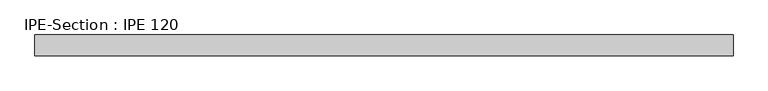
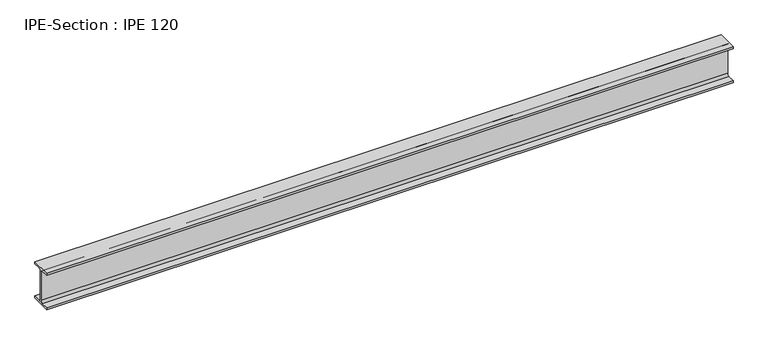
"""IFC4 building model written with IfcOpenShell, lengths in millimetres: beam geometry, IPE-Section : IPE 120."""

from ifc_helpers import new_model, si_unit, point, frame, frame_2d, origin, place, context, project, spatial, polyline, circle_curve, trimmed, segment, composite_curve, outline, extrude, source, transform, mapped, element, save


def ipe_section_ipe_120_348f894d(model_context):
    return source(origin(), model_context, "Body", "SweptSolid", [
        extrude(outline(composite_curve([segment(polyline([(-32.0, -53.7), (-9.2, -53.7)]), True, "CONTINUOUS"), segment(trimmed(circle_curve(frame_2d((-9.2, -46.7)), 7.0), [point((-9.2, -53.7))], [point((-2.2, -46.7))], True, "CARTESIAN"), True, "CONTINUOUS"), segment(polyline([(-2.2, -46.7), (-2.2, 46.7)]), True, "CONTINUOUS"), segment(trimmed(circle_curve(frame_2d((-9.2, 46.7)), 7.0), [point((-2.2, 46.7))], [point((-9.2, 53.7))], True, "CARTESIAN"), True, "CONTINUOUS"), segment(polyline([(-9.2, 53.7), (-32.0, 53.7), (-32.0, 60.0), (32.0, 60.0), (32.0, 53.7), (9.2, 53.7)]), True, "CONTINUOUS"), segment(trimmed(circle_curve(frame_2d((9.2, 46.7)), 7.0), [point((9.2, 53.7))], [point((2.2, 46.7))], True, "CARTESIAN"), True, "CONTINUOUS"), segment(polyline([(2.2, 46.7), (2.2, -46.7)]), True, "CONTINUOUS"), segment(trimmed(circle_curve(frame_2d((9.2, -46.7)), 7.0), [point((2.2, -46.7))], [point((9.2, -53.7))], True, "CARTESIAN"), True, "CONTINUOUS"), segment(polyline([(9.2, -53.7), (32.0, -53.7), (32.0, -60.0), (-32.0, -60.0), (-32.0, -53.7)]), True, "CONTINUOUS")], self_intersect=False)), frame((-1054.87123, 0.0, 0.0), z_axis=(1.0, 0.0, 0.0), x_axis=(0.0, 1.0, 0.0)), (0.0, 0.0, 1.0), 2153.1341803),
    ])


if __name__ == "__main__":
    model = new_model("IFC4")
    model_context = context("Model", 3, world=origin())
    ifc_project = project(units=[si_unit("LENGTHUNIT", "METRE", prefix="MILLI")], contexts=[model_context])
    site = spatial("IfcSite", under=ifc_project)
    building = spatial("IfcBuilding", under=site)
    placement = place(None, origin())
    ipe_section_ipe_120_shape = ipe_section_ipe_120_348f894d(model_context)
    element("IfcBeam", 1, ObjectType="IPE-Section : IPE 120", at=placement, inside=building, context=model_context, shape_type="MappedRepresentation", body=[
        mapped(ipe_section_ipe_120_shape, transform((0.0, 0.0, 0.0), x_axis=(1.0, 0.0, 0.0), y_axis=(0.0, 1.0, 0.0), z_axis=(0.0, 0.0, 1.0))),
    ])
    save(model, "model.ifc")
